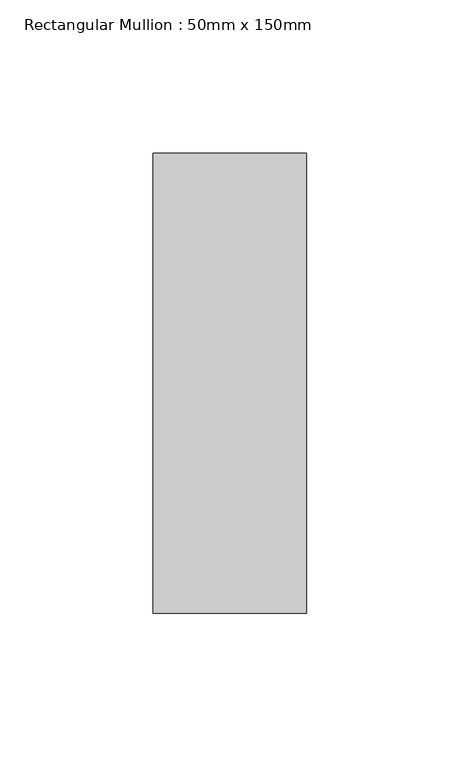
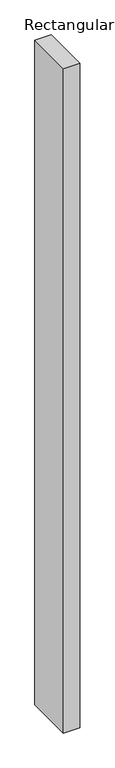
"""IFC4 building model written with IfcOpenShell, lengths in millimetres: member geometry, Rectangular Mullion : 50mm x 150mm."""

import ifcopenshell
import ifcopenshell.guid

model = None  # the IFC model being written
_history = None  # IfcOwnerHistory: only IFC2X3 demands one
_inside = {}  # id of a spatial element -> (the spatial element, [elements in it])
_under = {}  # id of a project, library or spatial element -> (it, [spatial elements below it])
_declared = {}  # id of a project -> (the project, [libraries it declares])
_typed = {}  # id of a type object -> (the type object, [elements of that type])
_made_of = {}  # id of a material, layer set ... -> (it, [elements and type objects made of it])


def new_model(schema):
    """Start an empty IFC model of exactly this schema.

    Asked for "IFC4X3", IfcOpenShell would pick the latest addendum, in which some entities
    have other attributes; the version numbers below select the first issue.
    IFC2X3 requires an IfcOwnerHistory on every rooted entity: one is made here for all.
    """
    global model, _history
    if schema == "IFC4X3":
        model = ifcopenshell.file(schema_version=(4, 3, 0, 0))
    else:
        model = ifcopenshell.file(schema=schema)
    _inside.clear()
    _under.clear()
    _declared.clear()
    _typed.clear()
    _made_of.clear()
    _history = None
    if model.schema == "IFC2X3":
        org = make("IfcOrganization", Name="unknown")
        user = make(
            "IfcPersonAndOrganization",
            ThePerson=make("IfcPerson", FamilyName="unknown"),
            TheOrganization=org,
        )
        app = make(
            "IfcApplication",
            ApplicationDeveloper=org,
            Version="unknown",
            ApplicationFullName="unknown",
            ApplicationIdentifier="unknown",
        )
        _history = make(
            "IfcOwnerHistory",
            OwningUser=user,
            OwningApplication=app,
            ChangeAction="ADDED",
            CreationDate=0,
        )
    return model


def make(cls, **values):
    """One entity of the class cls with the attributes given. An attribute that is None is left unset."""
    return model.create_entity(
        cls, **{name: value for name, value in values.items() if value is not None}
    )


def rooted(cls, **values):
    """An entity with a GlobalId (a new one), such as an element, a storey or a relation."""
    return make(cls, GlobalId=ifcopenshell.guid.new(), OwnerHistory=_history, **values)


def si_unit(unit_type, name, prefix=None):
    """IfcSIUnit, for example si_unit("LENGTHUNIT", "METRE", prefix="MILLI")."""
    return make("IfcSIUnit", UnitType=unit_type, Prefix=prefix, Name=name)


def assignment(units):
    """IfcUnitAssignment: the units of a project."""
    return None if units is None else make("IfcUnitAssignment", Units=units)


def point(xyz):
    """IfcCartesianPoint."""
    return None if xyz is None else make("IfcCartesianPoint", Coordinates=xyz)


def direction(xyz):
    """IfcDirection."""
    return None if xyz is None else make("IfcDirection", DirectionRatios=xyz)


def frame(location, z_axis=None, x_axis=None):
    """IfcAxis2Placement3D, a coordinate frame: its origin and axes. An axis left out is left unset."""
    return make(
        "IfcAxis2Placement3D",
        Location=point(location),
        Axis=direction(z_axis),
        RefDirection=direction(x_axis),
    )


def origin():
    """The frame at (0, 0, 0) with its axes left unset."""
    return frame((0.0, 0.0, 0.0))


def place(relative_to, where):
    """IfcLocalPlacement: puts the frame where relative to a parent placement (None: the world)."""
    return make(
        "IfcLocalPlacement", PlacementRelTo=relative_to, RelativePlacement=where
    )


def context(
    kind, dimensions, precision=None, world=None, true_north=None, identifier=None
):
    """IfcGeometricRepresentationContext, for example the 3D "Model" context."""
    return make(
        "IfcGeometricRepresentationContext",
        ContextIdentifier=identifier,
        ContextType=kind,
        CoordinateSpaceDimension=dimensions,
        Precision=precision,
        WorldCoordinateSystem=world,
        TrueNorth=true_north,
    )


def project(units=None, contexts=None):
    """IfcProject with its units and contexts."""
    return rooted(
        "IfcProject",
        Name="project",
        RepresentationContexts=contexts,
        UnitsInContext=assignment(units),
    )


def spatial(cls, under=None, at=None, **own):
    """A site, building, storey or space (cls), placed at a placement, below another one or the project."""
    s = rooted(cls, ObjectPlacement=at, **own)
    if under is not None:
        _under.setdefault(under.id(), (under, []))[1].append(s)
    return s


def polyline(points):
    """IfcPolyline through the points."""
    return make("IfcPolyline", Points=[point(p) for p in points])


def outline(outer, holes=None, kind="AREA"):
    """IfcArbitraryClosedProfileDef: a profile drawn as a closed curve; with holes, ...WithVoids."""
    if holes is None:
        return make("IfcArbitraryClosedProfileDef", ProfileType=kind, OuterCurve=outer)
    return make(
        "IfcArbitraryProfileDefWithVoids",
        ProfileType=kind,
        OuterCurve=outer,
        InnerCurves=holes,
    )


def extrude(swept, where, along, depth):
    """IfcExtrudedAreaSolid: the profile swept, set in the frame where, extruded along a direction by depth."""
    return make(
        "IfcExtrudedAreaSolid",
        SweptArea=swept,
        Position=where,
        ExtrudedDirection=direction(along),
        Depth=depth,
    )


def shape(context_of_items, identifier, shape_type, items):
    """IfcShapeRepresentation: the items that make up one representation, for example the "Body"."""
    return make(
        "IfcShapeRepresentation",
        ContextOfItems=context_of_items,
        RepresentationIdentifier=identifier,
        RepresentationType=shape_type,
        Items=items,
    )


def source(mapping_origin, context_of_items, identifier, shape_type, items):
    """IfcRepresentationMap: a shape defined once, which mapped items show again and again."""
    return make(
        "IfcRepresentationMap",
        MappingOrigin=mapping_origin,
        MappedRepresentation=shape(context_of_items, identifier, shape_type, items),
    )


def transform(
    local_origin,
    x_axis=None,
    y_axis=None,
    z_axis=None,
    scale=None,
    scale2=None,
    scale3=None,
    uniform=True,
):
    """IfcCartesianTransformationOperator3D, or its non-uniform kind. x_axis, y_axis, z_axis: its Axis1, 2, 3."""
    if uniform:
        return make(
            "IfcCartesianTransformationOperator3D",
            Axis1=direction(x_axis),
            Axis2=direction(y_axis),
            LocalOrigin=point(local_origin),
            Scale=scale,
            Axis3=direction(z_axis),
        )
    return make(
        "IfcCartesianTransformationOperator3DnonUniform",
        Axis1=direction(x_axis),
        Axis2=direction(y_axis),
        LocalOrigin=point(local_origin),
        Scale=scale,
        Axis3=direction(z_axis),
        Scale2=scale2,
        Scale3=scale3,
    )


def mapped(mapping_source, mapping_target):
    """IfcMappedItem: shows the shape of a source again, moved by a transform."""
    return make(
        "IfcMappedItem", MappingSource=mapping_source, MappingTarget=mapping_target
    )


def made_of(thing, what):
    """Note that an element or type object is made of a material, layer set ...; save() writes the relation."""
    if what is not None:
        _made_of.setdefault(what.id(), (what, []))[1].append(thing)
    return thing


def element(
    cls,
    number,
    at=None,
    inside=None,
    cuts=None,
    type_object=None,
    material=None,
    context=None,
    identifier="Body",
    shape_type=None,
    held_by="IfcProductDefinitionShape",
    body=None,
    shapes=None,
    **own,
):
    """One element of the class cls, such as IfcWall. Its Tag is "e" and its number.

    at: its placement. inside: the storey or other place that contains it. cuts: it is an
    opening in that element (IfcRelVoidsElement). A single representation is given by context,
    identifier, shape_type and body (its items); several are given by shapes. held_by: the class
    of the entity that holds the representations. save() writes the other relations.
    """
    e = rooted(cls, Tag="e%d" % number, ObjectPlacement=at, **own)
    if body is not None:
        shapes = [shape(context, identifier, shape_type, body)]
    if shapes is not None:
        e.Representation = make(held_by, Representations=shapes)
    if inside is not None:
        _inside.setdefault(inside.id(), (inside, []))[1].append(e)
    if cuts is not None:
        rooted(
            "IfcRelVoidsElement", RelatingBuildingElement=cuts, RelatedOpeningElement=e
        )
    if type_object is not None:
        _typed.setdefault(type_object.id(), (type_object, []))[1].append(e)
    return made_of(e, material)


def aggregate(whole, parts):
    """IfcRelAggregates: a whole, such as a stair, and the parts it consists of."""
    return rooted("IfcRelAggregates", RelatingObject=whole, RelatedObjects=parts)


def save(model, path):
    """Write the relations noted so far, then the file.

    IfcRelAggregates (storeys below a building ...), IfcRelContainedInSpatialStructure (elements
    in a storey), IfcRelDefinesByType, IfcRelAssociatesMaterial and IfcRelDeclares: one each for
    every whole, place, type object, material and project.
    """
    for whole, parts in _under.values():
        aggregate(whole, parts)
    for where, things in _inside.values():
        rooted(
            "IfcRelContainedInSpatialStructure",
            RelatedElements=things,
            RelatingStructure=where,
        )
    for kind, things in _typed.values():
        rooted("IfcRelDefinesByType", RelatedObjects=things, RelatingType=kind)
    for what, things in _made_of.values():
        rooted("IfcRelAssociatesMaterial", RelatedObjects=things, RelatingMaterial=what)
    for by, libraries in _declared.values():
        rooted("IfcRelDeclares", RelatingContext=by, RelatedDefinitions=libraries)
    model.write(path)


def rectangular_mullion_50mm_x_150mm_54c1107d(model_context):
    return source(origin(), model_context, "Body", "SweptSolid", [
        extrude(outline(polyline([(0.0, 75.0), (0.0, -75.0), (-50.0, -75.0), (-50.0, 75.0), (0.0, 75.0)])), frame((0.0, 0.0, -2139.4785963), z_axis=(0.0, 0.0, 1.0), x_axis=(1.0, 0.0, 0.0)), (0.0, 0.0, 1.0), 2139.4785963),
    ])


if __name__ == "__main__":
    model = new_model("IFC4")
    model_context = context("Model", 3, world=origin())
    ifc_project = project(units=[si_unit("LENGTHUNIT", "METRE", prefix="MILLI")], contexts=[model_context])
    site = spatial("IfcSite", under=ifc_project)
    building = spatial("IfcBuilding", under=site)
    placement = place(None, origin())
    rectangular_mullion_50mm_x_150mm_shape = rectangular_mullion_50mm_x_150mm_54c1107d(model_context)
    element("IfcMember", 1, ObjectType="Rectangular Mullion : 50mm x 150mm", at=placement, inside=building, context=model_context, shape_type="MappedRepresentation", body=[
        mapped(rectangular_mullion_50mm_x_150mm_shape, transform((0.0, 0.0, 0.0), x_axis=(1.0, 0.0, 0.0), y_axis=(0.0, 1.0, 0.0), z_axis=(0.0, 0.0, 1.0))),
    ])
    save(model, "model.ifc")
